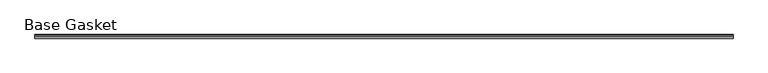
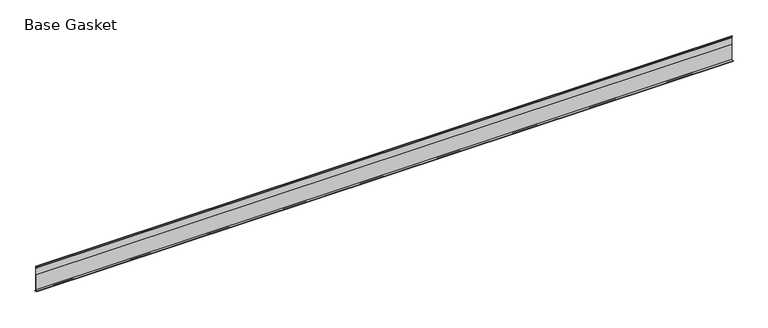
"""IFC4 building model written with IfcOpenShell, lengths in millimetres: furniture geometry, Base Gasket."""

from ifc_helpers import new_model, si_unit, frame, origin, place, context, project, spatial, polyline, outline, extrude, source, transform, mapped, element, save


def base_gasket_3cfd47c3(model_context):
    return source(origin(), model_context, "Body", "SweptSolid", [
        extrude(outline(polyline([(3.7283812, 98.4568417), (3.7283812, 4.3498477), (7.4222115, 0.6560174), (7.8482342, 0.0), (6.8281054, 0.3520979), (2.2043812, 4.3498477), (2.1334222, 6.3818476), (-6.2405171, 6.3818476), (-6.2405171, 7.9398773), (2.2043812, 7.9398773), (2.2043812, 71.4693447), (1.4106313, 71.4693447), (1.4106313, 96.8693477), (2.2043812, 96.8693477), (2.2043812, 98.4568417), (0.6755308, 104.4162708), (0.6755308, 105.2002997), (1.1891543, 104.587663), (3.7283812, 98.4568417)])), frame((-1527.8982117, 0.0, 0.0), z_axis=(1.0, 0.0, 0.0), x_axis=(0.0, 1.0, 0.0)), (0.0, 0.0, 1.0), 2709.2123757),
    ])


if __name__ == "__main__":
    model = new_model("IFC4")
    model_context = context("Model", 3, world=origin())
    ifc_project = project(units=[si_unit("LENGTHUNIT", "METRE", prefix="MILLI")], contexts=[model_context])
    site = spatial("IfcSite", under=ifc_project)
    building = spatial("IfcBuilding", under=site)
    placement = place(None, origin())
    base_gasket_shape = base_gasket_3cfd47c3(model_context)
    element("IfcFurniture", 1, ObjectType="Base Gasket", at=placement, inside=building, context=model_context, shape_type="MappedRepresentation", body=[
        mapped(base_gasket_shape, transform((0.0, 0.0, 0.0), x_axis=(1.0, 0.0, 0.0), y_axis=(0.0, 1.0, 0.0), z_axis=(0.0, 0.0, 1.0))),
    ])
    save(model, "model.ifc")
